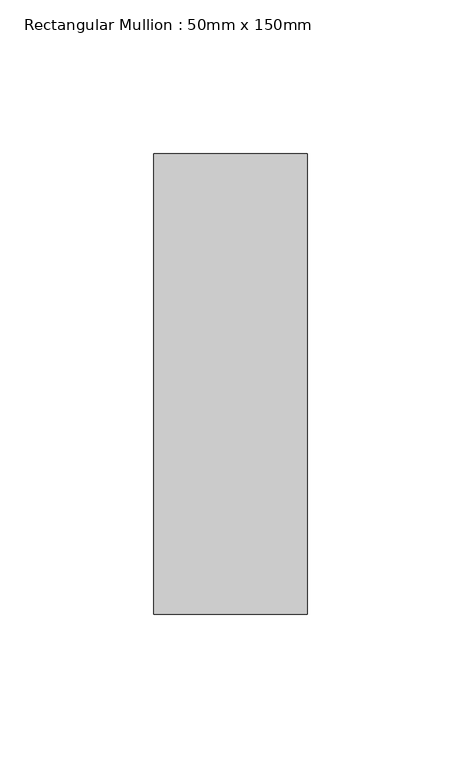
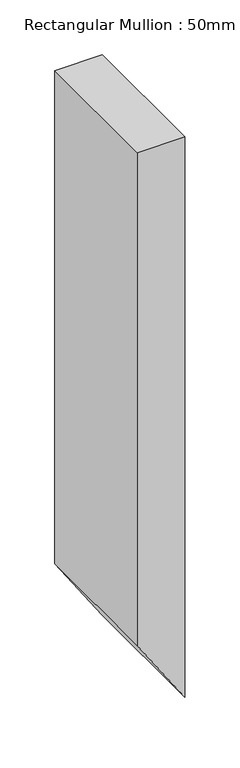
"""IFC4 building model written with IfcOpenShell, lengths in millimetres: member geometry, Rectangular Mullion : 50mm x 150mm."""

from ifc_helpers import new_model, si_unit, point, frame, frame_2d, origin, place, context, project, spatial, polyline, circle_curve, trimmed, segment, composite_curve, outline, extrude, source, transform, mapped, element, save


def rectangular_mullion_50mm_x_150mm_de40f9a2(model_context):
    return source(origin(), model_context, "Body", "SweptSolid", [
        extrude(outline(composite_curve([segment(polyline([(0.0, 25.0), (0.0, -25.0), (-548.0434751, -25.0)]), True, "CONTINUOUS"), segment(trimmed(circle_curve(frame_2d((3226.8533559, 5707.7921722)), 6864.0186607), [point((-548.0434751, -25.0))], [point((-622.9031691, 25.0))], False, "CARTESIAN"), True, "CONTINUOUS"), segment(polyline([(-622.9031691, 25.0), (0.0, 25.0)]), True, "CONTINUOUS")], self_intersect=False)), frame((0.0, -75.0, 0.0), z_axis=(0.0, 1.0, 0.0), x_axis=(0.0, 0.0, 1.0)), (0.0, 0.0, 1.0), 150.0),
    ])


if __name__ == "__main__":
    model = new_model("IFC4")
    model_context = context("Model", 3, world=origin())
    ifc_project = project(units=[si_unit("LENGTHUNIT", "METRE", prefix="MILLI")], contexts=[model_context])
    site = spatial("IfcSite", under=ifc_project)
    building = spatial("IfcBuilding", under=site)
    placement = place(None, origin())
    rectangular_mullion_50mm_x_150mm_shape = rectangular_mullion_50mm_x_150mm_de40f9a2(model_context)
    element("IfcMember", 1, ObjectType="Rectangular Mullion : 50mm x 150mm", at=placement, inside=building, context=model_context, shape_type="MappedRepresentation", body=[
        mapped(rectangular_mullion_50mm_x_150mm_shape, transform((0.0, 0.0, 0.0), x_axis=(1.0, 0.0, 0.0), y_axis=(0.0, 1.0, 0.0), z_axis=(0.0, 0.0, 1.0))),
    ])
    save(model, "model.ifc")
